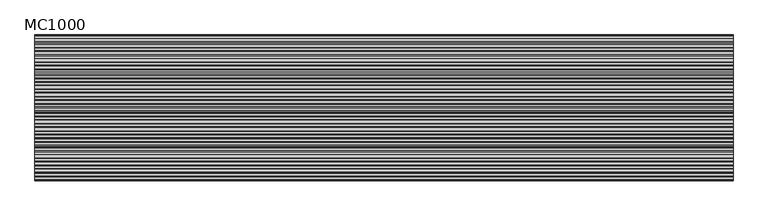
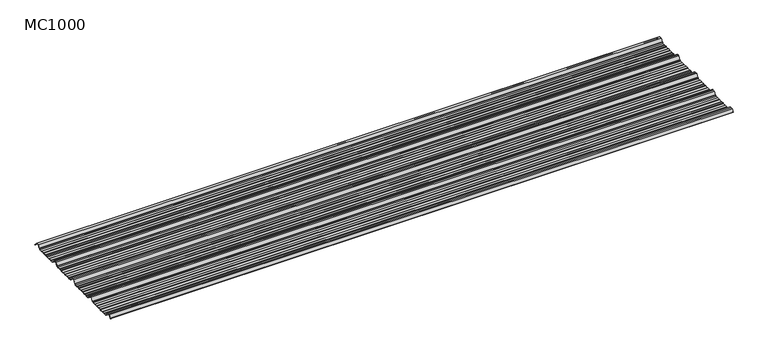
"""IFC4 building model written with IfcOpenShell, lengths in millimetres: beam geometry, MC1000."""

from ifc_helpers import new_model, si_unit, point, frame, frame_2d, origin, place, context, project, spatial, polyline, circle_curve, trimmed, segment, composite_curve, outline, extrude, source, transform, mapped, element, save


def mc1000_795e2c88(model_context):
    return source(origin(), model_context, "Body", "SweptSolid", [
        extrude(outline(composite_curve([segment(polyline([(-187.0338322, -23.7896472), (-192.5, -25.7896478), (-213.5, -25.7896478), (-217.6210251, -19.1370213), (-222.9746775, -19.1370213), (-238.0568616, 5.2103522), (-250.0, 5.2103522), (-261.9431384, 5.2103522), (-277.0253225, -19.1370213), (-282.3789749, -19.1370213), (-286.5, -25.7896478), (-307.5, -25.7896478), (-312.9661678, -23.7896476), (-330.9151087, -23.7896476), (-336.3812767, -25.7896478), (-360.5593616, -25.7896478), (-366.0255296, -23.7896476), (-383.97447, -23.7896476), (-389.4406384, -25.7896478), (-413.6187233, -25.7896478), (-419.0848913, -23.7896476), (-437.0338322, -23.7896476), (-442.5, -25.7896478), (-463.5, -25.7896478), (-467.6210251, -19.1370213), (-472.9746775, -19.1370213), (-488.0568616, 5.2103522), (-500.0, 5.2103522), (-511.9431384, 5.2103522), (-527.0253225, -19.1370213), (-532.3789749, -19.1370213), (-536.5, -25.7896478), (-557.5, -25.7896478), (-562.9661678, -23.789648), (-580.9151087, -23.789648), (-586.3812767, -25.7896482), (-610.5593616, -25.7896482), (-616.0255296, -23.7896476), (-633.97447, -23.7896476), (-639.4406384, -25.7896478), (-663.6187233, -25.7896478), (-669.0848913, -23.7896476), (-687.0338322, -23.7896476), (-692.5, -25.7896478), (-713.5, -25.7896478), (-717.6210251, -19.1370213), (-722.9746775, -19.1370213), (-738.0568616, 5.2103522), (-750.0, 5.2103522), (-761.9431384, 5.2103522), (-777.0253225, -19.1370213), (-782.3789749, -19.1370213), (-786.5, -25.7896478), (-807.5, -25.7896478), (-812.9661678, -23.7896476), (-830.9151087, -23.7896476), (-836.3812767, -25.7896478), (-860.5593616, -25.7896478), (-866.0255296, -23.7896476), (-883.97447, -23.7896476), (-889.4406384, -25.7896478), (-913.6187233, -25.7896478), (-919.0848913, -23.7896476), (-937.0338322, -23.7896476), (-942.5, -25.7896478), (-963.5, -25.7896478), (-967.6210251, -19.1370213), (-972.9746775, -19.1370213), (-988.0568616, 5.2103522), (-1000.0, 5.2103522), (-1011.9431384, 5.2103522), (-1025.3430666, -16.4213329)]), True, "CONTINUOUS"), segment(trimmed(circle_curve(frame_2d((-1025.768121, -16.1580294)), 0.5), [point((-1025.3430666, -16.4213329))], [point((-1026.1931754, -15.8947259))], False, "CARTESIAN"), True, "CONTINUOUS"), segment(polyline([(-1026.1931754, -15.8947259), (-1012.5, 6.2103522), (-1000.0, 6.2103522), (-987.5, 6.2103522), (-972.4178159, -18.1370213), (-967.0641635, -18.1370213), (-962.9431384, -24.7896478), (-942.6771992, -24.7896478), (-937.2110314, -22.7896476), (-918.9076926, -22.7896476), (-913.4415242, -24.7896478), (-889.6178376, -24.7896478), (-884.1516696, -22.7896478), (-865.8483309, -22.7896478), (-860.3821624, -24.7896478), (-836.5584758, -24.7896478), (-831.0923074, -22.7896476), (-812.7889686, -22.7896476), (-807.3228008, -24.7896478), (-787.0568616, -24.7896478), (-782.9358365, -18.1370213), (-777.5821841, -18.1370213), (-762.5, 6.2103522), (-750.0, 6.2103522), (-737.5, 6.2103522), (-722.4178159, -18.1370213), (-717.0641635, -18.1370213), (-712.9431384, -24.7896478), (-692.6771992, -24.7896478), (-687.2110314, -22.7896476), (-668.9076926, -22.7896476), (-663.4415242, -24.7896478), (-639.6178376, -24.7896478), (-634.1516696, -22.7896478), (-615.8483309, -22.7896478), (-610.3821624, -24.7896482), (-586.5584758, -24.7896482), (-581.0923074, -22.789648), (-562.7889686, -22.789648), (-557.3228008, -24.7896478), (-537.0568616, -24.7896478), (-532.9358365, -18.1370213), (-527.5821841, -18.1370213), (-512.5, 6.2103522), (-500.0, 6.2103522), (-487.5, 6.2103522), (-472.4178159, -18.1370213), (-467.0641635, -18.1370213), (-462.9431384, -24.7896478), (-442.6771992, -24.7896478), (-437.2110314, -22.7896476), (-418.9076926, -22.7896476), (-413.4415242, -24.7896478), (-389.6178376, -24.7896478), (-384.1516696, -22.7896478), (-365.8483309, -22.7896478), (-360.3821624, -24.7896478), (-336.5584758, -24.7896478), (-331.0923074, -22.7896476), (-312.7889686, -22.7896476), (-307.3228008, -24.7896478), (-287.0568616, -24.7896478), (-282.9358365, -18.1370213), (-277.5821841, -18.1370213), (-262.5, 6.2103522), (-250.0, 6.2103522), (-237.5, 6.2103522), (-222.4178159, -18.1370213), (-217.0641635, -18.1370213), (-212.9431384, -24.7896478), (-192.6771992, -24.7896478), (-187.2110314, -22.7896472), (-168.9076926, -22.7896472), (-163.4415242, -24.7896475), (-139.6178376, -24.7896475), (-134.1516696, -22.7896474), (-115.8483309, -22.7896474), (-110.3821624, -24.7896475), (-86.5584758, -24.7896475), (-81.0923074, -22.7896476), (-62.7889686, -22.7896476), (-57.3228008, -24.7896478), (-37.0568616, -24.7896478), (-32.9358365, -18.1370213), (-25.2295442, -18.1370213), (-11.3862768, 4.2103522), (11.3862768, 4.2103522), (26.4684609, -20.1370213), (31.8221133, -20.1370213), (33.8767469, -23.4538441)]), True, "CONTINUOUS"), segment(trimmed(circle_curve(frame_2d((33.4516925, -23.7171476)), 0.5), [point((33.8767469, -23.4538441))], [point((33.0266381, -23.9804511))], False, "CARTESIAN"), True, "CONTINUOUS"), segment(polyline([(33.0266381, -23.9804511), (31.2652517, -21.1370213), (25.9115993, -21.1370213), (10.8294152, 3.2103522), (-10.8294152, 3.2103522), (-24.6726825, -19.1370213), (-32.3789749, -19.1370213), (-36.5, -25.7896478), (-57.5, -25.7896478), (-62.9661678, -23.7896476), (-80.9151087, -23.7896476), (-86.3812767, -25.7896475), (-110.5593616, -25.7896475), (-116.0255296, -23.7896472), (-133.97447, -23.7896472), (-139.4406384, -25.7896475), (-163.6187233, -25.7896475), (-169.0848913, -23.7896472), (-187.0338322, -23.7896472)]), True, "CONTINUOUS")], self_intersect=False)), frame((-2535.0, 0.0, 0.0), z_axis=(1.0, 0.0, 0.0), x_axis=(0.0, 1.0, 0.0)), (0.0, 0.0, 1.0), 5070.0),
    ])


if __name__ == "__main__":
    model = new_model("IFC4")
    model_context = context("Model", 3, world=origin())
    ifc_project = project(units=[si_unit("LENGTHUNIT", "METRE", prefix="MILLI")], contexts=[model_context])
    site = spatial("IfcSite", under=ifc_project)
    building = spatial("IfcBuilding", under=site)
    placement = place(None, origin())
    mc1000_shape = mc1000_795e2c88(model_context)
    element("IfcBeam", 1, ObjectType="MC1000", at=placement, inside=building, context=model_context, shape_type="MappedRepresentation", body=[
        mapped(mc1000_shape, transform((0.0, 0.0, 0.0), x_axis=(1.0, 0.0, 0.0), y_axis=(0.0, 1.0, 0.0), z_axis=(0.0, 0.0, 1.0))),
    ])
    save(model, "model.ifc")
